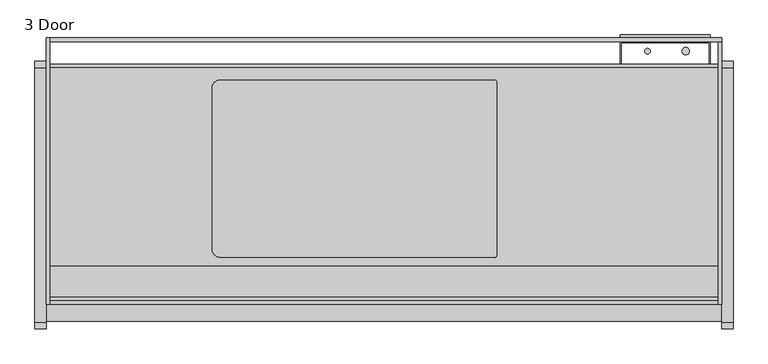
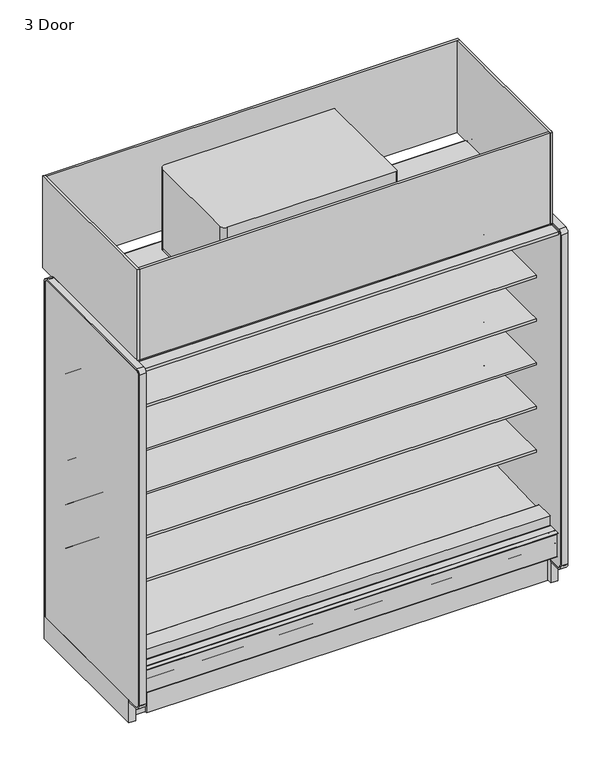
"""IFC4 building model written with IfcOpenShell, lengths in millimetres: proxy geometry, 3 Door."""

import ifcopenshell
import ifcopenshell.guid

model = None  # the IFC model being written
_history = None  # IfcOwnerHistory: only IFC2X3 demands one
_inside = {}  # id of a spatial element -> (the spatial element, [elements in it])
_under = {}  # id of a project, library or spatial element -> (it, [spatial elements below it])
_declared = {}  # id of a project -> (the project, [libraries it declares])
_typed = {}  # id of a type object -> (the type object, [elements of that type])
_made_of = {}  # id of a material, layer set ... -> (it, [elements and type objects made of it])


def new_model(schema):
    """Start an empty IFC model of exactly this schema.

    Asked for "IFC4X3", IfcOpenShell would pick the latest addendum, in which some entities
    have other attributes; the version numbers below select the first issue.
    IFC2X3 requires an IfcOwnerHistory on every rooted entity: one is made here for all.
    """
    global model, _history
    if schema == "IFC4X3":
        model = ifcopenshell.file(schema_version=(4, 3, 0, 0))
    else:
        model = ifcopenshell.file(schema=schema)
    _inside.clear()
    _under.clear()
    _declared.clear()
    _typed.clear()
    _made_of.clear()
    _history = None
    if model.schema == "IFC2X3":
        org = make("IfcOrganization", Name="unknown")
        user = make(
            "IfcPersonAndOrganization",
            ThePerson=make("IfcPerson", FamilyName="unknown"),
            TheOrganization=org,
        )
        app = make(
            "IfcApplication",
            ApplicationDeveloper=org,
            Version="unknown",
            ApplicationFullName="unknown",
            ApplicationIdentifier="unknown",
        )
        _history = make(
            "IfcOwnerHistory",
            OwningUser=user,
            OwningApplication=app,
            ChangeAction="ADDED",
            CreationDate=0,
        )
    return model


def make(cls, **values):
    """One entity of the class cls with the attributes given. An attribute that is None is left unset."""
    return model.create_entity(
        cls, **{name: value for name, value in values.items() if value is not None}
    )


def rooted(cls, **values):
    """An entity with a GlobalId (a new one), such as an element, a storey or a relation."""
    return make(cls, GlobalId=ifcopenshell.guid.new(), OwnerHistory=_history, **values)


def si_unit(unit_type, name, prefix=None):
    """IfcSIUnit, for example si_unit("LENGTHUNIT", "METRE", prefix="MILLI")."""
    return make("IfcSIUnit", UnitType=unit_type, Prefix=prefix, Name=name)


def assignment(units):
    """IfcUnitAssignment: the units of a project."""
    return None if units is None else make("IfcUnitAssignment", Units=units)


def point(xyz):
    """IfcCartesianPoint."""
    return None if xyz is None else make("IfcCartesianPoint", Coordinates=xyz)


def direction(xyz):
    """IfcDirection."""
    return None if xyz is None else make("IfcDirection", DirectionRatios=xyz)


def frame(location, z_axis=None, x_axis=None):
    """IfcAxis2Placement3D, a coordinate frame: its origin and axes. An axis left out is left unset."""
    return make(
        "IfcAxis2Placement3D",
        Location=point(location),
        Axis=direction(z_axis),
        RefDirection=direction(x_axis),
    )


def frame_2d(location, x_axis=None):
    """IfcAxis2Placement2D, a coordinate frame in the plane: its origin and x axis."""
    return make(
        "IfcAxis2Placement2D", Location=point(location), RefDirection=direction(x_axis)
    )


def origin():
    """The frame at (0, 0, 0) with its axes left unset."""
    return frame((0.0, 0.0, 0.0))


def origin_with_axes():
    """The frame at (0, 0, 0) with the z axis (0, 0, 1) and the x axis (1, 0, 0) written out."""
    return frame((0.0, 0.0, 0.0), z_axis=(0.0, 0.0, 1.0), x_axis=(1.0, 0.0, 0.0))


def place(relative_to, where):
    """IfcLocalPlacement: puts the frame where relative to a parent placement (None: the world)."""
    return make(
        "IfcLocalPlacement", PlacementRelTo=relative_to, RelativePlacement=where
    )


def context(
    kind, dimensions, precision=None, world=None, true_north=None, identifier=None
):
    """IfcGeometricRepresentationContext, for example the 3D "Model" context."""
    return make(
        "IfcGeometricRepresentationContext",
        ContextIdentifier=identifier,
        ContextType=kind,
        CoordinateSpaceDimension=dimensions,
        Precision=precision,
        WorldCoordinateSystem=world,
        TrueNorth=true_north,
    )


def project(units=None, contexts=None):
    """IfcProject with its units and contexts."""
    return rooted(
        "IfcProject",
        Name="project",
        RepresentationContexts=contexts,
        UnitsInContext=assignment(units),
    )


def spatial(cls, under=None, at=None, **own):
    """A site, building, storey or space (cls), placed at a placement, below another one or the project."""
    s = rooted(cls, ObjectPlacement=at, **own)
    if under is not None:
        _under.setdefault(under.id(), (under, []))[1].append(s)
    return s


def polyline(points):
    """IfcPolyline through the points."""
    return make("IfcPolyline", Points=[point(p) for p in points])


def circle_curve(where, radius):
    """IfcCircle in the frame where."""
    return make("IfcCircle", Position=where, Radius=radius)


def trimmed(basis, trim1, trim2, sense, master):
    """IfcTrimmedCurve: the piece of a basis curve between two trims."""
    return make(
        "IfcTrimmedCurve",
        BasisCurve=basis,
        Trim1=trim1,
        Trim2=trim2,
        SenseAgreement=sense,
        MasterRepresentation=master,
    )


def segment(curve, same_sense, transition):
    """IfcCompositeCurveSegment."""
    return make(
        "IfcCompositeCurveSegment",
        Transition=transition,
        SameSense=same_sense,
        ParentCurve=curve,
    )


def composite_curve(segments, self_intersect=None):
    """IfcCompositeCurve: segments joined end to end."""
    return make("IfcCompositeCurve", Segments=segments, SelfIntersect=self_intersect)


def outline(outer, holes=None, kind="AREA"):
    """IfcArbitraryClosedProfileDef: a profile drawn as a closed curve; with holes, ...WithVoids."""
    if holes is None:
        return make("IfcArbitraryClosedProfileDef", ProfileType=kind, OuterCurve=outer)
    return make(
        "IfcArbitraryProfileDefWithVoids",
        ProfileType=kind,
        OuterCurve=outer,
        InnerCurves=holes,
    )


def extrude(swept, where, along, depth):
    """IfcExtrudedAreaSolid: the profile swept, set in the frame where, extruded along a direction by depth."""
    return make(
        "IfcExtrudedAreaSolid",
        SweptArea=swept,
        Position=where,
        ExtrudedDirection=direction(along),
        Depth=depth,
    )


def shape(context_of_items, identifier, shape_type, items):
    """IfcShapeRepresentation: the items that make up one representation, for example the "Body"."""
    return make(
        "IfcShapeRepresentation",
        ContextOfItems=context_of_items,
        RepresentationIdentifier=identifier,
        RepresentationType=shape_type,
        Items=items,
    )


def source(mapping_origin, context_of_items, identifier, shape_type, items):
    """IfcRepresentationMap: a shape defined once, which mapped items show again and again."""
    return make(
        "IfcRepresentationMap",
        MappingOrigin=mapping_origin,
        MappedRepresentation=shape(context_of_items, identifier, shape_type, items),
    )


def transform(
    local_origin,
    x_axis=None,
    y_axis=None,
    z_axis=None,
    scale=None,
    scale2=None,
    scale3=None,
    uniform=True,
):
    """IfcCartesianTransformationOperator3D, or its non-uniform kind. x_axis, y_axis, z_axis: its Axis1, 2, 3."""
    if uniform:
        return make(
            "IfcCartesianTransformationOperator3D",
            Axis1=direction(x_axis),
            Axis2=direction(y_axis),
            LocalOrigin=point(local_origin),
            Scale=scale,
            Axis3=direction(z_axis),
        )
    return make(
        "IfcCartesianTransformationOperator3DnonUniform",
        Axis1=direction(x_axis),
        Axis2=direction(y_axis),
        LocalOrigin=point(local_origin),
        Scale=scale,
        Axis3=direction(z_axis),
        Scale2=scale2,
        Scale3=scale3,
    )


def mapped(mapping_source, mapping_target):
    """IfcMappedItem: shows the shape of a source again, moved by a transform."""
    return make(
        "IfcMappedItem", MappingSource=mapping_source, MappingTarget=mapping_target
    )


def made_of(thing, what):
    """Note that an element or type object is made of a material, layer set ...; save() writes the relation."""
    if what is not None:
        _made_of.setdefault(what.id(), (what, []))[1].append(thing)
    return thing


def element(
    cls,
    number,
    at=None,
    inside=None,
    cuts=None,
    type_object=None,
    material=None,
    context=None,
    identifier="Body",
    shape_type=None,
    held_by="IfcProductDefinitionShape",
    body=None,
    shapes=None,
    **own,
):
    """One element of the class cls, such as IfcWall. Its Tag is "e" and its number.

    at: its placement. inside: the storey or other place that contains it. cuts: it is an
    opening in that element (IfcRelVoidsElement). A single representation is given by context,
    identifier, shape_type and body (its items); several are given by shapes. held_by: the class
    of the entity that holds the representations. save() writes the other relations.
    """
    e = rooted(cls, Tag="e%d" % number, ObjectPlacement=at, **own)
    if body is not None:
        shapes = [shape(context, identifier, shape_type, body)]
    if shapes is not None:
        e.Representation = make(held_by, Representations=shapes)
    if inside is not None:
        _inside.setdefault(inside.id(), (inside, []))[1].append(e)
    if cuts is not None:
        rooted(
            "IfcRelVoidsElement", RelatingBuildingElement=cuts, RelatedOpeningElement=e
        )
    if type_object is not None:
        _typed.setdefault(type_object.id(), (type_object, []))[1].append(e)
    return made_of(e, material)


def aggregate(whole, parts):
    """IfcRelAggregates: a whole, such as a stair, and the parts it consists of."""
    return rooted("IfcRelAggregates", RelatingObject=whole, RelatedObjects=parts)


def save(model, path):
    """Write the relations noted so far, then the file.

    IfcRelAggregates (storeys below a building ...), IfcRelContainedInSpatialStructure (elements
    in a storey), IfcRelDefinesByType, IfcRelAssociatesMaterial and IfcRelDeclares: one each for
    every whole, place, type object, material and project.
    """
    for whole, parts in _under.values():
        aggregate(whole, parts)
    for where, things in _inside.values():
        rooted(
            "IfcRelContainedInSpatialStructure",
            RelatedElements=things,
            RelatingStructure=where,
        )
    for kind, things in _typed.values():
        rooted("IfcRelDefinesByType", RelatedObjects=things, RelatingType=kind)
    for what, things in _made_of.values():
        rooted("IfcRelAssociatesMaterial", RelatedObjects=things, RelatingMaterial=what)
    for by, libraries in _declared.values():
        rooted("IfcRelDeclares", RelatingContext=by, RelatedDefinitions=libraries)
    model.write(path)


def proxy_3_door_296c24b5(model_context):
    return source(origin(), model_context, "Body", "SweptSolid", [
        extrude(outline(polyline([(-1104.6571273, 0.0), (-1117.3571273, 0.0), (-1117.3571273, 195.9867506), (-1104.6571273, 185.3301853), (-1104.6571273, 0.0)])), frame((76.2, 0.0, 0.0), z_axis=(1.0, 0.0, 0.0), x_axis=(0.0, 1.0, 0.0)), (0.0, 0.0, 1.0), 2209.8),
        extrude(outline(polyline([(-1076.9207723, 2007.1442562), (-1074.8612926, 2015.4043781), (-1036.8504523, 2005.9272112), (-1039.7781058, 1997.8835493), (-1076.9207723, 2007.1442562)])), frame((76.2, 0.0, 0.0), z_axis=(1.0, 0.0, 0.0), x_axis=(0.0, 1.0, 0.0)), (0.0, 0.0, 1.0), 2209.8),
        extrude(outline(polyline([(2286.0, -361.7071273), (2286.0, -1161.8071273), (0.0, -1161.8071273), (0.0, -361.7071273), (2286.0, -361.7071273)])), frame((0.0, 0.0, 2096.29375), z_axis=(0.0, 0.0, 1.0), x_axis=(1.0, 0.0, 0.0)), (0.0, 0.0, 1.0), 6.35),
        extrude(outline(composite_curve([segment(polyline([(561.975, -976.3814161), (561.975, -428.9752148)]), True, "CONTINUOUS"), segment(trimmed(circle_curve(frame_2d((587.375, -428.9752148)), 25.4), [point((561.975, -428.9752148))], [point((587.375, -403.5752148))], False, "CARTESIAN"), True, "CONTINUOUS"), segment(polyline([(587.375, -403.5752148), (1518.62536, -403.5752148)]), True, "CONTINUOUS"), segment(trimmed(circle_curve(frame_2d((1518.62536, -408.9498548)), 5.37464), [point((1518.62536, -403.5752148))], [point((1524.0, -408.9498548))], False, "CARTESIAN"), True, "CONTINUOUS"), segment(polyline([(1524.0, -408.9498548), (1524.0, -996.4067761)]), True, "CONTINUOUS"), segment(trimmed(circle_curve(frame_2d((1518.62536, -996.4067761)), 5.37464), [point((1524.0, -996.4067761))], [point((1518.62536, -1001.7814161))], False, "CARTESIAN"), True, "CONTINUOUS"), segment(polyline([(1518.62536, -1001.7814161), (587.375, -1001.7814161)]), True, "CONTINUOUS"), segment(trimmed(circle_curve(frame_2d((587.375, -976.3814161)), 25.4), [point((587.375, -1001.7814161))], [point((561.975, -976.3814161))], False, "CARTESIAN"), True, "CONTINUOUS")], self_intersect=False)), frame((0.0, 0.0, 2102.64375), z_axis=(0.0, 0.0, 1.0), x_axis=(1.0, 0.0, 0.0)), (0.0, 0.0, 1.0), 12.7),
        extrude(outline(composite_curve([segment(polyline([(561.975, -976.3814161), (561.975, -428.9752148)]), True, "CONTINUOUS"), segment(trimmed(circle_curve(frame_2d((587.375, -428.9752148)), 25.4), [point((561.975, -428.9752148))], [point((587.375, -403.5752148))], False, "CARTESIAN"), True, "CONTINUOUS"), segment(polyline([(587.375, -403.5752148), (1518.62536, -403.5752148)]), True, "CONTINUOUS"), segment(trimmed(circle_curve(frame_2d((1518.62536, -408.9498548)), 5.37464), [point((1518.62536, -403.5752148))], [point((1524.0, -408.9498548))], False, "CARTESIAN"), True, "CONTINUOUS"), segment(polyline([(1524.0, -408.9498548), (1524.0, -996.4067761)]), True, "CONTINUOUS"), segment(trimmed(circle_curve(frame_2d((1518.62536, -996.4067761)), 5.37464), [point((1524.0, -996.4067761))], [point((1518.62536, -1001.7814161))], False, "CARTESIAN"), True, "CONTINUOUS"), segment(polyline([(1518.62536, -1001.7814161), (587.375, -1001.7814161)]), True, "CONTINUOUS"), segment(trimmed(circle_curve(frame_2d((587.375, -976.3814161)), 25.4), [point((587.375, -1001.7814161))], [point((561.975, -976.3814161))], False, "CARTESIAN"), True, "CONTINUOUS")], self_intersect=False)), frame((0.0, 0.0, 2115.34375), z_axis=(0.0, 0.0, 1.0), x_axis=(1.0, 0.0, 0.0)), (0.0, 0.0, 1.0), 461.75168),
        extrude(outline(polyline([(2286.0, -275.6866697), (2286.0, -1161.8071273), (2273.3, -1161.8071273), (2273.3, -275.6866697), (2286.0, -275.6866697)])), frame((0.0, 0.0, 2096.29375), z_axis=(0.0, 0.0, 1.0), x_axis=(1.0, 0.0, 0.0)), (0.0, 0.0, 1.0), 535.78125),
        extrude(outline(polyline([(12.7, -260.1071273), (12.7, -1161.8071273), (0.0, -1161.8071273), (0.0, -260.1071273), (12.7, -260.1071273)])), frame((0.0, 0.0, 2096.29375), z_axis=(0.0, 0.0, 1.0), x_axis=(1.0, 0.0, 0.0)), (0.0, 0.0, 1.0), 535.78125),
        extrude(outline(polyline([(2286.0, -260.1071273), (2286.0, -272.8071273), (12.7, -272.8071273), (12.7, -260.1071273), (2286.0, -260.1071273)])), frame((0.0, 0.0, 2096.29375), z_axis=(0.0, 0.0, 1.0), x_axis=(1.0, 0.0, 0.0)), (0.0, 0.0, 1.0), 536.1572188),
        extrude(outline(composite_curve([segment(polyline([(-1032.1083773, 2096.29375), (-1161.8071273, 2096.29375), (-1161.8071273, 2632.075), (-1149.113193, 2632.075), (-1149.113193, 2133.6584688)]), True, "CONTINUOUS"), segment(trimmed(circle_curve(frame_2d((-1136.413193, 2133.6584688)), 12.7), [point((-1149.113193, 2133.6584688))], [point((-1136.413193, 2120.9584688))], True, "CARTESIAN"), True, "CONTINUOUS"), segment(polyline([(-1136.413193, 2120.9584688), (-1032.1083773, 2120.9584688), (-1032.1083773, 2096.29375)]), True, "CONTINUOUS")], self_intersect=False)), frame((12.7, 0.0, 0.0), z_axis=(1.0, 0.0, 0.0), x_axis=(0.0, 1.0, 0.0)), (0.0, 0.0, 1.0), 2273.3),
        extrude(outline(polyline([(-349.0071273, 129.3876), (-1037.9873503, 129.3876), (-1192.1324192, 258.7306705), (-1192.1324192, 300.7449388), (-1137.9651974, 300.7449388), (-1137.9651974, 283.9418925), (-1025.3654807, 189.4595117), (-1009.819944, 190.0023738), (-964.4677493, 157.1934642), (-899.9654388, 159.4459345), (-859.8822128, 192.9404113), (-399.8071273, 220.5904298), (-399.8071273, 2043.9583622), (-1134.8551873, 2043.9583622), (-1134.8551873, 2095.5), (-349.0071273, 2095.5), (-349.0071273, 129.3876)])), frame((0.0, 0.0, 0.0), z_axis=(1.0, 0.0, 0.0), x_axis=(0.0, 1.0, 0.0)), (0.0, 0.0, 1.0), 2286.0),
        extrude(outline(polyline([(-394.9429832, 0.0), (-394.9429832, 73.7380382), (-893.6212714, 73.7380382), (-893.6212714, 0.0), (-958.6071273, 0.0), (-958.6071273, 129.3876), (-349.0071273, 129.3876), (-349.0071273, 0.0), (-394.9429832, 0.0)])), frame((0.0, 0.0, 0.0), z_axis=(1.0, 0.0, 0.0), x_axis=(0.0, 1.0, 0.0)), (0.0, 0.0, 1.0), 2286.0),
        extrude(outline(composite_curve([segment(polyline([(-1219.271907, 334.0862), (-1192.8205273, 334.0862)]), True, "CONTINUOUS"), segment(trimmed(circle_curve(frame_2d((-1192.8205273, 332.1304)), 1.9558), [point((-1192.8205273, 334.0862))], [point((-1190.8647273, 332.1304))], False, "CARTESIAN"), True, "CONTINUOUS"), segment(polyline([(-1190.8647273, 332.1304), (-1190.8647273, 321.3862), (-1190.8647273, 300.7449388), (-1192.1324192, 300.7449388), (-1192.1324192, 321.3862), (-1192.1324192, 332.1304)]), True, "CONTINUOUS"), segment(trimmed(circle_curve(frame_2d((-1192.9198192, 332.1304)), 0.7874), [point((-1192.1324192, 332.1304))], [point((-1192.9198192, 332.9178))], True, "CARTESIAN"), True, "CONTINUOUS"), segment(polyline([(-1192.9198192, 332.9178), (-1219.271907, 332.9178), (-1219.271907, 334.0862)]), True, "CONTINUOUS")], self_intersect=False)), frame((0.0, 0.0, 0.0), z_axis=(1.0, 0.0, 0.0), x_axis=(0.0, 1.0, 0.0)), (0.0, 0.0, 1.0), 2286.0),
        extrude(outline(composite_curve([segment(polyline([(-1147.6832716, 221.4334071), (-1204.6262772, 188.5573475)]), True, "CONTINUOUS"), segment(trimmed(circle_curve(frame_2d((-1205.4517772, 189.9871554)), 1.651), [point((-1204.6262772, 188.5573475))], [point((-1207.1027772, 189.9871554))], False, "CARTESIAN"), True, "CONTINUOUS"), segment(polyline([(-1207.1027772, 189.9871554), (-1207.1027772, 191.5746554), (-1207.1027772, 320.4775395), (-1207.1027772, 322.0015395)]), True, "CONTINUOUS"), segment(trimmed(circle_curve(frame_2d((-1205.4517772, 322.0015395)), 1.651), [point((-1207.1027772, 322.0015395))], [point((-1205.4517772, 323.6525395))], False, "CARTESIAN"), True, "CONTINUOUS"), segment(polyline([(-1205.4517772, 323.6525395), (-1199.1652772, 323.6525395), (-1199.1652772, 322.7889395), (-1205.4517772, 322.7889395)]), True, "CONTINUOUS"), segment(trimmed(circle_curve(frame_2d((-1205.4517772, 322.0015395)), 0.7874), [point((-1205.4517772, 322.7889395))], [point((-1206.2391772, 322.0015395))], True, "CARTESIAN"), True, "CONTINUOUS"), segment(polyline([(-1206.2391772, 322.0015395), (-1206.2391772, 320.4775395), (-1206.2391772, 189.9871554)]), True, "CONTINUOUS"), segment(trimmed(circle_curve(frame_2d((-1205.4517772, 189.9871554)), 0.7874), [point((-1206.2391772, 189.9871554))], [point((-1205.0580772, 189.305247))], True, "CARTESIAN"), True, "CONTINUOUS"), segment(polyline([(-1205.0580772, 189.305247), (-1148.3872848, 222.0241443), (-1147.6832716, 221.4334071)]), True, "CONTINUOUS")], self_intersect=False)), frame((0.0, 0.0, 0.0), z_axis=(1.0, 0.0, 0.0), x_axis=(0.0, 1.0, 0.0)), (0.0, 0.0, 1.0), 2286.0),
        extrude(outline(composite_curve([segment(polyline([(-451.3116948, 591.1422184), (-462.4195871, 590.9259013)]), True, "CONTINUOUS"), segment(trimmed(circle_curve(frame_2d((-462.9075328, 615.9819291)), 25.0607786), [point((-462.4195871, 590.9259013))], [point((-478.8148554, 596.6170199))], False, "CARTESIAN"), True, "CONTINUOUS"), segment(polyline([(-478.8148554, 596.6170199), (-517.036556, 627.7002885)]), True, "CONTINUOUS"), segment(trimmed(circle_curve(frame_2d((-557.1010291, 578.4348036)), 63.5), [point((-517.036556, 627.7002885))], [point((-550.2480196, 641.5639274))], True, "CARTESIAN"), True, "CONTINUOUS"), segment(polyline([(-550.2480196, 641.5639274), (-889.6556929, 674.1744175), (-889.6556929, 678.4587439), (-1010.0816513, 678.4587439), (-1010.0816513, 691.9524939), (-451.3116948, 691.9524939), (-451.3116948, 591.1422184)]), True, "CONTINUOUS")], self_intersect=False)), frame((0.0, 0.0, 0.0), z_axis=(1.0, 0.0, 0.0), x_axis=(0.0, 1.0, 0.0)), (0.0, 0.0, 1.0), 2286.0),
        extrude(outline(composite_curve([segment(polyline([(-451.3116948, 845.1422184), (-462.4195871, 844.9259013)]), True, "CONTINUOUS"), segment(trimmed(circle_curve(frame_2d((-462.9075328, 869.9819291)), 25.0607786), [point((-462.4195871, 844.9259013))], [point((-478.8148554, 850.6170199))], False, "CARTESIAN"), True, "CONTINUOUS"), segment(polyline([(-478.8148554, 850.6170199), (-517.036556, 881.7002885)]), True, "CONTINUOUS"), segment(trimmed(circle_curve(frame_2d((-557.1010291, 832.4348036)), 63.5), [point((-517.036556, 881.7002885))], [point((-550.2480196, 895.5639274))], True, "CARTESIAN"), True, "CONTINUOUS"), segment(polyline([(-550.2480196, 895.5639274), (-889.6556929, 928.1744175), (-889.6556929, 932.4587439), (-1010.0816513, 932.4587439), (-1010.0816513, 945.9524939), (-451.3116948, 945.9524939), (-451.3116948, 845.1422184)]), True, "CONTINUOUS")], self_intersect=False)), frame((0.0, 0.0, 0.0), z_axis=(1.0, 0.0, 0.0), x_axis=(0.0, 1.0, 0.0)), (0.0, 0.0, 1.0), 2286.0),
        extrude(outline(composite_curve([segment(polyline([(-451.3116948, 1099.1422184), (-462.4195871, 1098.9259013)]), True, "CONTINUOUS"), segment(trimmed(circle_curve(frame_2d((-462.9075328, 1123.9819291)), 25.0607786), [point((-462.4195871, 1098.9259013))], [point((-478.8148554, 1104.6170199))], False, "CARTESIAN"), True, "CONTINUOUS"), segment(polyline([(-478.8148554, 1104.6170199), (-517.036556, 1135.7002885)]), True, "CONTINUOUS"), segment(trimmed(circle_curve(frame_2d((-557.1010291, 1086.4348036)), 63.5), [point((-517.036556, 1135.7002885))], [point((-550.2480196, 1149.5639274))], True, "CARTESIAN"), True, "CONTINUOUS"), segment(polyline([(-550.2480196, 1149.5639274), (-889.6556929, 1182.1744175), (-889.6556929, 1186.4587439), (-1010.0816513, 1186.4587439), (-1010.0816513, 1199.9524939), (-451.3116948, 1199.9524939), (-451.3116948, 1099.1422184)]), True, "CONTINUOUS")], self_intersect=False)), frame((0.0, 0.0, 0.0), z_axis=(1.0, 0.0, 0.0), x_axis=(0.0, 1.0, 0.0)), (0.0, 0.0, 1.0), 2286.0),
        extrude(outline(composite_curve([segment(polyline([(-451.3116948, 1353.1422184), (-462.4195871, 1352.9259013)]), True, "CONTINUOUS"), segment(trimmed(circle_curve(frame_2d((-462.9075328, 1377.9819291)), 25.0607786), [point((-462.4195871, 1352.9259013))], [point((-478.8148554, 1358.6170199))], False, "CARTESIAN"), True, "CONTINUOUS"), segment(polyline([(-478.8148554, 1358.6170199), (-517.036556, 1389.7002885)]), True, "CONTINUOUS"), segment(trimmed(circle_curve(frame_2d((-557.1010291, 1340.4348036)), 63.5), [point((-517.036556, 1389.7002885))], [point((-550.2480196, 1403.5639274))], True, "CARTESIAN"), True, "CONTINUOUS"), segment(polyline([(-550.2480196, 1403.5639274), (-889.6556929, 1436.1744175), (-889.6556929, 1440.4587439), (-1010.0816513, 1440.4587439), (-1010.0816513, 1453.9524939), (-451.3116948, 1453.9524939), (-451.3116948, 1353.1422184)]), True, "CONTINUOUS")], self_intersect=False)), frame((0.0, 0.0, 0.0), z_axis=(1.0, 0.0, 0.0), x_axis=(0.0, 1.0, 0.0)), (0.0, 0.0, 1.0), 2286.0),
        extrude(outline(polyline([(-1218.7163962, 2070.8112), (-1218.7163962, 2089.15), (-1134.8551873, 2089.15), (-1134.8551873, 2043.9583622), (-1147.784197, 2043.9583622), (-1147.784197, 2070.8112), (-1218.7163962, 2070.8112)])), frame((0.0, 0.0, 0.0), z_axis=(1.0, 0.0, 0.0), x_axis=(0.0, 1.0, 0.0)), (0.0, 0.0, 1.0), 2286.0),
        extrude(outline(polyline([(-1147.784197, 334.0862), (-1141.434197, 334.0862), (-1141.434197, 302.7473029), (-1141.434197, 300.7449388), (-1190.8639311, 300.7449388), (-1190.8657083, 334.0862), (-1147.784197, 334.0862)])), frame((0.0, 0.0, 0.0), z_axis=(1.0, 0.0, 0.0), x_axis=(0.0, 1.0, 0.0)), (0.0, 0.0, 1.0), 2286.0),
        extrude(outline(composite_curve([segment(polyline([(-451.3116948, 1607.1422184), (-462.4195871, 1606.9259013)]), True, "CONTINUOUS"), segment(trimmed(circle_curve(frame_2d((-462.9075328, 1631.9819291)), 25.0607786), [point((-462.4195871, 1606.9259013))], [point((-478.8148554, 1612.6170199))], False, "CARTESIAN"), True, "CONTINUOUS"), segment(polyline([(-478.8148554, 1612.6170199), (-517.036556, 1643.7002885)]), True, "CONTINUOUS"), segment(trimmed(circle_curve(frame_2d((-557.1010291, 1594.4348036)), 63.5), [point((-517.036556, 1643.7002885))], [point((-550.2480196, 1657.5639274))], True, "CARTESIAN"), True, "CONTINUOUS"), segment(polyline([(-550.2480196, 1657.5639274), (-889.6556929, 1690.1744175), (-889.6556929, 1694.4587439), (-1010.1116948, 1694.4587439), (-1010.1116948, 1707.9524939), (-451.3116948, 1707.9524939), (-451.3116948, 1607.1422184)]), True, "CONTINUOUS")], self_intersect=False)), frame((0.0, 0.0, 0.0), z_axis=(1.0, 0.0, 0.0), x_axis=(0.0, 1.0, 0.0)), (0.0, 0.0, 1.0), 2286.0),
        extrude(outline(polyline([(-567.2562782, 2018.5249991), (-1017.6292833, 2018.5249991), (-1036.9661273, 1995.0715709), (-1041.9696546, 1996.3190903), (-1041.4741571, 1998.3064224), (-1039.7781058, 1997.8835493), (-1021.8347672, 2018.5249991), (-1076.9207723, 2018.5249991), (-1076.9207723, 2007.1442562), (-1074.5967475, 2006.5648117), (-1075.092245, 2004.5774796), (-1080.0957723, 2005.8249991), (-1080.0957723, 2018.5249991), (-1089.6692942, 2018.5249991), (-1089.6692942, 2034.8268848), (-1102.3692942, 2034.8268848), (-1102.3692942, 2043.9583622), (-399.8071273, 2043.9583622), (-399.8071273, 300.7449388), (-451.3116948, 300.7449388), (-451.3116948, 2018.5249991), (-567.2562782, 2018.5249991)])), frame((0.0, 0.0, 0.0), z_axis=(1.0, 0.0, 0.0), x_axis=(0.0, 1.0, 0.0)), (0.0, 0.0, 1.0), 2286.0),
        extrude(outline(composite_curve([segment(polyline([(-549.102044, 376.9132463), (-549.102044, 389.995836), (-476.8468712, 389.995836), (-476.8468712, 399.2749991), (-451.3116948, 399.2749991), (-451.3116948, 380.470836), (-451.3116948, 300.7449388), (-399.8071273, 300.7449388), (-399.8071273, 220.5904298), (-859.8822128, 192.9404113), (-899.9654388, 159.4459345), (-964.4677493, 157.1934642), (-1009.819944, 190.0023738), (-1025.3654807, 189.4595117), (-1137.9651974, 283.9418925), (-1137.9651974, 300.7449388), (-1141.434197, 300.7449388), (-1141.434197, 388.7420495), (-1036.9661273, 388.7420495)]), True, "CONTINUOUS"), segment(trimmed(circle_curve(frame_2d((-1036.9661273, 386.6846495)), 2.0574), [point((-1036.9661273, 388.7420495))], [point((-1034.9087273, 386.6846495))], False, "CARTESIAN"), True, "CONTINUOUS"), segment(polyline([(-1034.9087273, 386.6846495), (-1034.9087273, 358.7683558), (-549.102044, 376.9132463)]), True, "CONTINUOUS")], self_intersect=False)), frame((0.0, 0.0, 0.0), z_axis=(1.0, 0.0, 0.0), x_axis=(0.0, 1.0, 0.0)), (0.0, 0.0, 1.0), 2286.0),
        extrude(outline(composite_curve([segment(trimmed(circle_curve(frame_2d((2163.8082444, -305.1108756)), 12.7), [point((2151.1082444, -305.1108756))], [point((2176.5082444, -305.1108756))], False, "CARTESIAN"), True, "CONTINUOUS"), segment(trimmed(circle_curve(frame_2d((2163.8082444, -305.1108756)), 12.7), [point((2176.5082444, -305.1108756))], [point((2151.1082444, -305.1108756))], False, "CARTESIAN"), True, "CONTINUOUS")], self_intersect=False)), frame((0.0, 0.0, 1138.0399939), z_axis=(0.0, 0.0, 1.0), x_axis=(1.0, 0.0, 0.0)), (0.0, 0.0, 1.0), 554.8039204),
        extrude(outline(composite_curve([segment(trimmed(circle_curve(frame_2d((2034.38125, -305.1108756)), 9.525), [point((2024.85625, -305.1108756))], [point((2043.90625, -305.1108756))], False, "CARTESIAN"), True, "CONTINUOUS"), segment(trimmed(circle_curve(frame_2d((2034.38125, -305.1108756)), 9.525), [point((2043.90625, -305.1108756))], [point((2024.85625, -305.1108756))], False, "CARTESIAN"), True, "CONTINUOUS")], self_intersect=False)), frame((0.0, 0.0, 1138.0399939), z_axis=(0.0, 0.0, 1.0), x_axis=(1.0, 0.0, 0.0)), (0.0, 0.0, 1.0), 554.8039204),
        extrude(outline(composite_curve([segment(polyline([(-349.0071273, 133.35), (-1209.4321273, 133.35)]), True, "CONTINUOUS"), segment(trimmed(circle_curve(frame_2d((-1209.4321273, 158.75)), 25.4), [point((-1209.4321273, 133.35))], [point((-1234.8321273, 158.75))], False, "CARTESIAN"), True, "CONTINUOUS"), segment(polyline([(-1234.8321273, 158.75), (-1234.8321273, 2082.8)]), True, "CONTINUOUS"), segment(trimmed(circle_curve(frame_2d((-1222.1321273, 2082.8)), 12.7), [point((-1234.8321273, 2082.8))], [point((-1222.1321273, 2095.5))], False, "CARTESIAN"), True, "CONTINUOUS"), segment(polyline([(-1222.1321273, 2095.5), (-361.7071273, 2095.5)]), True, "CONTINUOUS"), segment(trimmed(circle_curve(frame_2d((-361.7071273, 2082.8)), 12.7), [point((-361.7071273, 2095.5))], [point((-349.0071273, 2082.8))], False, "CARTESIAN"), True, "CONTINUOUS"), segment(polyline([(-349.0071273, 2082.8), (-349.0071273, 133.35)]), True, "CONTINUOUS")], self_intersect=False)), frame((2286.0, 0.0, 0.0), z_axis=(1.0, 0.0, 0.0), x_axis=(0.0, 1.0, 0.0)), (0.0, 0.0, 1.0), 38.1),
        extrude(outline(composite_curve([segment(polyline([(-349.0071273, 133.35), (-349.0071273, 2082.8)]), True, "CONTINUOUS"), segment(trimmed(circle_curve(frame_2d((-361.7071273, 2082.8)), 12.7), [point((-349.0071273, 2082.8))], [point((-361.7071273, 2095.5))], True, "CARTESIAN"), True, "CONTINUOUS"), segment(polyline([(-361.7071273, 2095.5), (-1222.1321273, 2095.5)]), True, "CONTINUOUS"), segment(trimmed(circle_curve(frame_2d((-1222.1321273, 2082.8)), 12.7), [point((-1222.1321273, 2095.5))], [point((-1234.8321273, 2082.8))], True, "CARTESIAN"), True, "CONTINUOUS"), segment(polyline([(-1234.8321273, 2082.8), (-1234.8321273, 158.75)]), True, "CONTINUOUS"), segment(trimmed(circle_curve(frame_2d((-1209.4321273, 158.75)), 25.4), [point((-1234.8321273, 158.75))], [point((-1209.4321273, 133.35))], True, "CARTESIAN"), True, "CONTINUOUS"), segment(polyline([(-1209.4321273, 133.35), (-1145.9321273, 133.35), (-1145.9321273, 123.825), (-1209.4321273, 123.825)]), True, "CONTINUOUS"), segment(trimmed(circle_curve(frame_2d((-1209.4321273, 158.75)), 34.925), [point((-1209.4321273, 123.825))], [point((-1244.3571273, 158.75))], False, "CARTESIAN"), True, "CONTINUOUS"), segment(polyline([(-1244.3571273, 158.75), (-1244.3571273, 2082.8)]), True, "CONTINUOUS"), segment(trimmed(circle_curve(frame_2d((-1222.1321273, 2082.8)), 22.225), [point((-1244.3571273, 2082.8))], [point((-1222.1321273, 2105.025))], False, "CARTESIAN"), True, "CONTINUOUS"), segment(polyline([(-1222.1321273, 2105.025), (-361.7071273, 2105.025)]), True, "CONTINUOUS"), segment(trimmed(circle_curve(frame_2d((-361.7071273, 2082.8)), 22.225), [point((-361.7071273, 2105.025))], [point((-339.4821273, 2082.8))], False, "CARTESIAN"), True, "CONTINUOUS"), segment(polyline([(-339.4821273, 2082.8), (-339.4821273, 133.35), (-349.0071273, 133.35)]), True, "CONTINUOUS")], self_intersect=False)), frame((2286.0, 0.0, 0.0), z_axis=(1.0, 0.0, 0.0), x_axis=(0.0, 1.0, 0.0)), (0.0, 0.0, 1.0), 38.1),
        extrude(outline(polyline([(2247.10625, -250.0454628), (2247.10625, -349.0071273), (2243.93125, -349.0071273), (2243.93125, -275.6866697), (1945.48125, -275.6866697), (1945.48125, -349.0071273), (1942.30625, -349.0071273), (1942.30625, -250.0454628), (2247.10625, -250.0454628)])), frame((0.0, 0.0, 193.7512), z_axis=(0.0, 0.0, 1.0), x_axis=(1.0, 0.0, 0.0)), (0.0, 0.0, 1.0), 1438.7950439),
        extrude(outline(composite_curve([segment(polyline([(-349.0071273, 133.35), (-1209.4321273, 133.35)]), True, "CONTINUOUS"), segment(trimmed(circle_curve(frame_2d((-1209.4321273, 158.75)), 25.4), [point((-1209.4321273, 133.35))], [point((-1234.8321273, 158.75))], False, "CARTESIAN"), True, "CONTINUOUS"), segment(polyline([(-1234.8321273, 158.75), (-1234.8321273, 2082.8)]), True, "CONTINUOUS"), segment(trimmed(circle_curve(frame_2d((-1222.1321273, 2082.8)), 12.7), [point((-1234.8321273, 2082.8))], [point((-1222.1321273, 2095.5))], False, "CARTESIAN"), True, "CONTINUOUS"), segment(polyline([(-1222.1321273, 2095.5), (-361.7071273, 2095.5)]), True, "CONTINUOUS"), segment(trimmed(circle_curve(frame_2d((-361.7071273, 2082.8)), 12.7), [point((-361.7071273, 2095.5))], [point((-349.0071273, 2082.8))], False, "CARTESIAN"), True, "CONTINUOUS"), segment(polyline([(-349.0071273, 2082.8), (-349.0071273, 133.35)]), True, "CONTINUOUS")], self_intersect=False)), frame((-38.1, 0.0, 0.0), z_axis=(1.0, 0.0, 0.0), x_axis=(0.0, 1.0, 0.0)), (0.0, 0.0, 1.0), 38.1),
        extrude(outline(composite_curve([segment(polyline([(-349.0071273, 133.35), (-349.0071273, 2082.8)]), True, "CONTINUOUS"), segment(trimmed(circle_curve(frame_2d((-361.7071273, 2082.8)), 12.7), [point((-349.0071273, 2082.8))], [point((-361.7071273, 2095.5))], True, "CARTESIAN"), True, "CONTINUOUS"), segment(polyline([(-361.7071273, 2095.5), (-1222.1321273, 2095.5)]), True, "CONTINUOUS"), segment(trimmed(circle_curve(frame_2d((-1222.1321273, 2082.8)), 12.7), [point((-1222.1321273, 2095.5))], [point((-1234.8321273, 2082.8))], True, "CARTESIAN"), True, "CONTINUOUS"), segment(polyline([(-1234.8321273, 2082.8), (-1234.8321273, 158.75)]), True, "CONTINUOUS"), segment(trimmed(circle_curve(frame_2d((-1209.4321273, 158.75)), 25.4), [point((-1234.8321273, 158.75))], [point((-1209.4321273, 133.35))], True, "CARTESIAN"), True, "CONTINUOUS"), segment(polyline([(-1209.4321273, 133.35), (-1145.9321273, 133.35), (-1145.9321273, 123.825), (-1209.4321273, 123.825)]), True, "CONTINUOUS"), segment(trimmed(circle_curve(frame_2d((-1209.4321273, 158.75)), 34.925), [point((-1209.4321273, 123.825))], [point((-1244.3571273, 158.75))], False, "CARTESIAN"), True, "CONTINUOUS"), segment(polyline([(-1244.3571273, 158.75), (-1244.3571273, 2082.8)]), True, "CONTINUOUS"), segment(trimmed(circle_curve(frame_2d((-1222.1321273, 2082.8)), 22.225), [point((-1244.3571273, 2082.8))], [point((-1222.1321273, 2105.025))], False, "CARTESIAN"), True, "CONTINUOUS"), segment(polyline([(-1222.1321273, 2105.025), (-361.7071273, 2105.025)]), True, "CONTINUOUS"), segment(trimmed(circle_curve(frame_2d((-361.7071273, 2082.8)), 22.225), [point((-361.7071273, 2105.025))], [point((-339.4821273, 2082.8))], False, "CARTESIAN"), True, "CONTINUOUS"), segment(polyline([(-339.4821273, 2082.8), (-339.4821273, 133.35), (-349.0071273, 133.35)]), True, "CONTINUOUS")], self_intersect=False)), frame((-38.1, 0.0, 0.0), z_axis=(1.0, 0.0, 0.0), x_axis=(0.0, 1.0, 0.0)), (0.0, 0.0, 1.0), 38.1),
        extrude(outline(polyline([(0.0, -339.4821273), (0.0, -1145.9321273), (-38.1, -1145.9321273), (-38.1, -339.4821273), (0.0, -339.4821273)])), origin_with_axes(), (0.0, 0.0, 1.0), 133.35),
        extrude(outline(polyline([(2324.1, -339.4821273), (2324.1, -1145.9321273), (2286.0, -1145.9321273), (2286.0, -339.4821273), (2324.1, -339.4821273)])), origin_with_axes(), (0.0, 0.0, 1.0), 133.35),
        extrude(outline(polyline([(105.5601284, -735.1975818), (397.6601284, -735.1975818), (397.6601284, -986.5952905), (105.5601284, -986.5952905), (105.5601284, -735.1975818)])), frame((0.0, 0.0, 95.25), z_axis=(0.0, 0.0, 1.0), x_axis=(1.0, 0.0, 0.0)), (0.0, 0.0, 1.0), 6.35),
        extrude(outline(composite_curve([segment(trimmed(circle_curve(frame_2d((1143.0, -968.1321273)), 38.1), [point((1104.9, -968.1321273))], [point((1181.1, -968.1321273))], False, "CARTESIAN"), True, "CONTINUOUS"), segment(trimmed(circle_curve(frame_2d((1143.0, -968.1321273)), 38.1), [point((1181.1, -968.1321273))], [point((1104.9, -968.1321273))], False, "CARTESIAN"), True, "CONTINUOUS")], self_intersect=False)), origin_with_axes(), (0.0, 0.0, 1.0), 101.6),
        extrude(outline(polyline([(-1104.6571273, 0.0), (-1104.6571273, 185.3301853), (-1037.9873503, 129.3876), (-958.6071273, 129.3876), (-958.6071273, 0.0), (-1104.6571273, 0.0)])), frame((0.0, 0.0, 0.0), z_axis=(1.0, 0.0, 0.0), x_axis=(0.0, 1.0, 0.0)), (0.0, 0.0, 1.0), 2286.0),
    ])


if __name__ == "__main__":
    model = new_model("IFC4")
    model_context = context("Model", 3, world=origin())
    ifc_project = project(units=[si_unit("LENGTHUNIT", "METRE", prefix="MILLI")], contexts=[model_context])
    site = spatial("IfcSite", under=ifc_project)
    building = spatial("IfcBuilding", under=site)
    placement = place(None, origin())
    proxy_3_door_shape = proxy_3_door_296c24b5(model_context)
    element("IfcBuildingElementProxy", 1, Name="3 Door", ObjectType="3 Door", at=placement, inside=building, context=model_context, shape_type="MappedRepresentation", body=[
        mapped(proxy_3_door_shape, transform((0.0, 0.0, 0.0), x_axis=(1.0, 0.0, 0.0), y_axis=(0.0, 1.0, 0.0), z_axis=(0.0, 0.0, 1.0))),
    ])
    save(model, "model.ifc")
